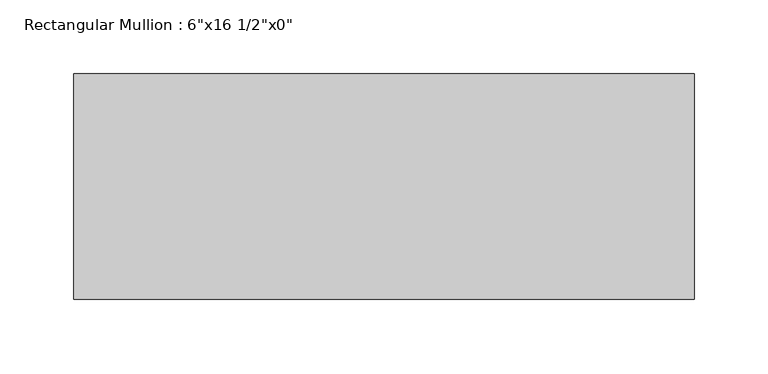
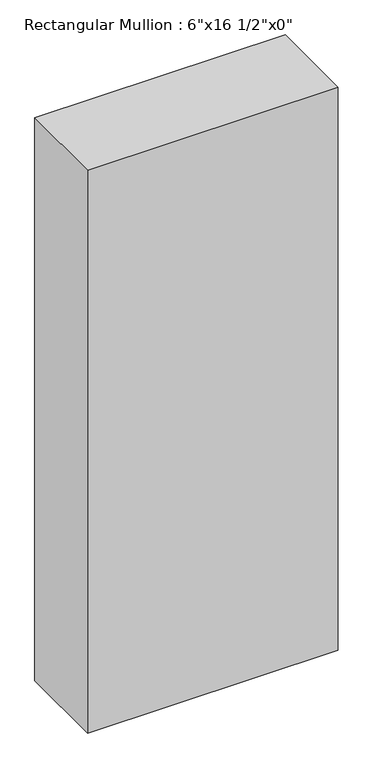
"""IFC4 building model written with IfcOpenShell, lengths in millimetres: member geometry."""

import ifcopenshell
import ifcopenshell.guid

model = None  # the IFC model being written
_history = None  # IfcOwnerHistory: only IFC2X3 demands one
_inside = {}  # id of a spatial element -> (the spatial element, [elements in it])
_under = {}  # id of a project, library or spatial element -> (it, [spatial elements below it])
_declared = {}  # id of a project -> (the project, [libraries it declares])
_typed = {}  # id of a type object -> (the type object, [elements of that type])
_made_of = {}  # id of a material, layer set ... -> (it, [elements and type objects made of it])


def new_model(schema):
    """Start an empty IFC model of exactly this schema.

    Asked for "IFC4X3", IfcOpenShell would pick the latest addendum, in which some entities
    have other attributes; the version numbers below select the first issue.
    IFC2X3 requires an IfcOwnerHistory on every rooted entity: one is made here for all.
    """
    global model, _history
    if schema == "IFC4X3":
        model = ifcopenshell.file(schema_version=(4, 3, 0, 0))
    else:
        model = ifcopenshell.file(schema=schema)
    _inside.clear()
    _under.clear()
    _declared.clear()
    _typed.clear()
    _made_of.clear()
    _history = None
    if model.schema == "IFC2X3":
        org = make("IfcOrganization", Name="unknown")
        user = make(
            "IfcPersonAndOrganization",
            ThePerson=make("IfcPerson", FamilyName="unknown"),
            TheOrganization=org,
        )
        app = make(
            "IfcApplication",
            ApplicationDeveloper=org,
            Version="unknown",
            ApplicationFullName="unknown",
            ApplicationIdentifier="unknown",
        )
        _history = make(
            "IfcOwnerHistory",
            OwningUser=user,
            OwningApplication=app,
            ChangeAction="ADDED",
            CreationDate=0,
        )
    return model


def make(cls, **values):
    """One entity of the class cls with the attributes given. An attribute that is None is left unset."""
    return model.create_entity(
        cls, **{name: value for name, value in values.items() if value is not None}
    )


def rooted(cls, **values):
    """An entity with a GlobalId (a new one), such as an element, a storey or a relation."""
    return make(cls, GlobalId=ifcopenshell.guid.new(), OwnerHistory=_history, **values)


def si_unit(unit_type, name, prefix=None):
    """IfcSIUnit, for example si_unit("LENGTHUNIT", "METRE", prefix="MILLI")."""
    return make("IfcSIUnit", UnitType=unit_type, Prefix=prefix, Name=name)


def assignment(units):
    """IfcUnitAssignment: the units of a project."""
    return None if units is None else make("IfcUnitAssignment", Units=units)


def point(xyz):
    """IfcCartesianPoint."""
    return None if xyz is None else make("IfcCartesianPoint", Coordinates=xyz)


def direction(xyz):
    """IfcDirection."""
    return None if xyz is None else make("IfcDirection", DirectionRatios=xyz)


def frame(location, z_axis=None, x_axis=None):
    """IfcAxis2Placement3D, a coordinate frame: its origin and axes. An axis left out is left unset."""
    return make(
        "IfcAxis2Placement3D",
        Location=point(location),
        Axis=direction(z_axis),
        RefDirection=direction(x_axis),
    )


def origin():
    """The frame at (0, 0, 0) with its axes left unset."""
    return frame((0.0, 0.0, 0.0))


def place(relative_to, where):
    """IfcLocalPlacement: puts the frame where relative to a parent placement (None: the world)."""
    return make(
        "IfcLocalPlacement", PlacementRelTo=relative_to, RelativePlacement=where
    )


def context(
    kind, dimensions, precision=None, world=None, true_north=None, identifier=None
):
    """IfcGeometricRepresentationContext, for example the 3D "Model" context."""
    return make(
        "IfcGeometricRepresentationContext",
        ContextIdentifier=identifier,
        ContextType=kind,
        CoordinateSpaceDimension=dimensions,
        Precision=precision,
        WorldCoordinateSystem=world,
        TrueNorth=true_north,
    )


def project(units=None, contexts=None):
    """IfcProject with its units and contexts."""
    return rooted(
        "IfcProject",
        Name="project",
        RepresentationContexts=contexts,
        UnitsInContext=assignment(units),
    )


def spatial(cls, under=None, at=None, **own):
    """A site, building, storey or space (cls), placed at a placement, below another one or the project."""
    s = rooted(cls, ObjectPlacement=at, **own)
    if under is not None:
        _under.setdefault(under.id(), (under, []))[1].append(s)
    return s


def polyline(points):
    """IfcPolyline through the points."""
    return make("IfcPolyline", Points=[point(p) for p in points])


def outline(outer, holes=None, kind="AREA"):
    """IfcArbitraryClosedProfileDef: a profile drawn as a closed curve; with holes, ...WithVoids."""
    if holes is None:
        return make("IfcArbitraryClosedProfileDef", ProfileType=kind, OuterCurve=outer)
    return make(
        "IfcArbitraryProfileDefWithVoids",
        ProfileType=kind,
        OuterCurve=outer,
        InnerCurves=holes,
    )


def extrude(swept, where, along, depth):
    """IfcExtrudedAreaSolid: the profile swept, set in the frame where, extruded along a direction by depth."""
    return make(
        "IfcExtrudedAreaSolid",
        SweptArea=swept,
        Position=where,
        ExtrudedDirection=direction(along),
        Depth=depth,
    )


def shape(context_of_items, identifier, shape_type, items):
    """IfcShapeRepresentation: the items that make up one representation, for example the "Body"."""
    return make(
        "IfcShapeRepresentation",
        ContextOfItems=context_of_items,
        RepresentationIdentifier=identifier,
        RepresentationType=shape_type,
        Items=items,
    )


def source(mapping_origin, context_of_items, identifier, shape_type, items):
    """IfcRepresentationMap: a shape defined once, which mapped items show again and again."""
    return make(
        "IfcRepresentationMap",
        MappingOrigin=mapping_origin,
        MappedRepresentation=shape(context_of_items, identifier, shape_type, items),
    )


def transform(
    local_origin,
    x_axis=None,
    y_axis=None,
    z_axis=None,
    scale=None,
    scale2=None,
    scale3=None,
    uniform=True,
):
    """IfcCartesianTransformationOperator3D, or its non-uniform kind. x_axis, y_axis, z_axis: its Axis1, 2, 3."""
    if uniform:
        return make(
            "IfcCartesianTransformationOperator3D",
            Axis1=direction(x_axis),
            Axis2=direction(y_axis),
            LocalOrigin=point(local_origin),
            Scale=scale,
            Axis3=direction(z_axis),
        )
    return make(
        "IfcCartesianTransformationOperator3DnonUniform",
        Axis1=direction(x_axis),
        Axis2=direction(y_axis),
        LocalOrigin=point(local_origin),
        Scale=scale,
        Axis3=direction(z_axis),
        Scale2=scale2,
        Scale3=scale3,
    )


def mapped(mapping_source, mapping_target):
    """IfcMappedItem: shows the shape of a source again, moved by a transform."""
    return make(
        "IfcMappedItem", MappingSource=mapping_source, MappingTarget=mapping_target
    )


def made_of(thing, what):
    """Note that an element or type object is made of a material, layer set ...; save() writes the relation."""
    if what is not None:
        _made_of.setdefault(what.id(), (what, []))[1].append(thing)
    return thing


def element(
    cls,
    number,
    at=None,
    inside=None,
    cuts=None,
    type_object=None,
    material=None,
    context=None,
    identifier="Body",
    shape_type=None,
    held_by="IfcProductDefinitionShape",
    body=None,
    shapes=None,
    **own,
):
    """One element of the class cls, such as IfcWall. Its Tag is "e" and its number.

    at: its placement. inside: the storey or other place that contains it. cuts: it is an
    opening in that element (IfcRelVoidsElement). A single representation is given by context,
    identifier, shape_type and body (its items); several are given by shapes. held_by: the class
    of the entity that holds the representations. save() writes the other relations.
    """
    e = rooted(cls, Tag="e%d" % number, ObjectPlacement=at, **own)
    if body is not None:
        shapes = [shape(context, identifier, shape_type, body)]
    if shapes is not None:
        e.Representation = make(held_by, Representations=shapes)
    if inside is not None:
        _inside.setdefault(inside.id(), (inside, []))[1].append(e)
    if cuts is not None:
        rooted(
            "IfcRelVoidsElement", RelatingBuildingElement=cuts, RelatedOpeningElement=e
        )
    if type_object is not None:
        _typed.setdefault(type_object.id(), (type_object, []))[1].append(e)
    return made_of(e, material)


def aggregate(whole, parts):
    """IfcRelAggregates: a whole, such as a stair, and the parts it consists of."""
    return rooted("IfcRelAggregates", RelatingObject=whole, RelatedObjects=parts)


def save(model, path):
    """Write the relations noted so far, then the file.

    IfcRelAggregates (storeys below a building ...), IfcRelContainedInSpatialStructure (elements
    in a storey), IfcRelDefinesByType, IfcRelAssociatesMaterial and IfcRelDeclares: one each for
    every whole, place, type object, material and project.
    """
    for whole, parts in _under.values():
        aggregate(whole, parts)
    for where, things in _inside.values():
        rooted(
            "IfcRelContainedInSpatialStructure",
            RelatedElements=things,
            RelatingStructure=where,
        )
    for kind, things in _typed.values():
        rooted("IfcRelDefinesByType", RelatedObjects=things, RelatingType=kind)
    for what, things in _made_of.values():
        rooted("IfcRelAssociatesMaterial", RelatedObjects=things, RelatingMaterial=what)
    for by, libraries in _declared.values():
        rooted("IfcRelDeclares", RelatingContext=by, RelatedDefinitions=libraries)
    model.write(path)


def member_6de5062b(model_context):
    return source(origin(), model_context, "Body", "SweptSolid", [
        extrude(outline(polyline([(0.0, 76.2), (0.0, -76.2), (-419.1, -76.2), (-419.1, 76.2), (0.0, 76.2)])), frame((0.0, 0.0, -994.8333333), z_axis=(0.0, 0.0, 1.0), x_axis=(1.0, 0.0, 0.0)), (0.0, 0.0, 1.0), 994.8333333),
    ])


if __name__ == "__main__":
    model = new_model("IFC4")
    model_context = context("Model", 3, world=origin())
    ifc_project = project(units=[si_unit("LENGTHUNIT", "METRE", prefix="MILLI")], contexts=[model_context])
    site = spatial("IfcSite", under=ifc_project)
    building = spatial("IfcBuilding", under=site)
    placement = place(None, origin())
    member_shape = member_6de5062b(model_context)
    element("IfcMember", 1, ObjectType="Rectangular Mullion : 6\"x16 1/2\"x0\"", at=placement, inside=building, context=model_context, shape_type="MappedRepresentation", body=[
        mapped(member_shape, transform((0.0, 0.0, 0.0), x_axis=(1.0, 0.0, 0.0), y_axis=(0.0, 1.0, 0.0), z_axis=(0.0, 0.0, 1.0))),
    ])
    save(model, "model.ifc")
